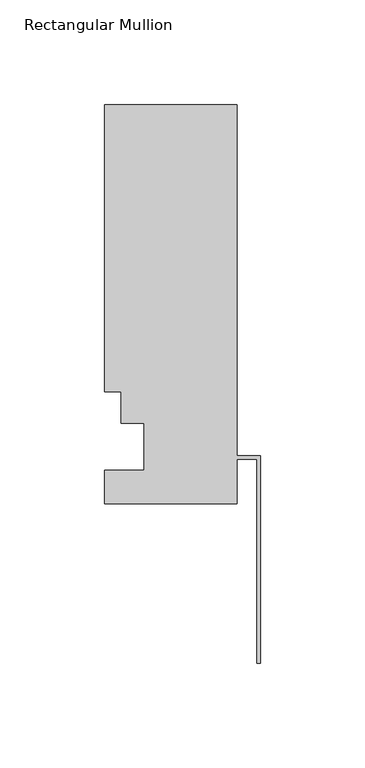
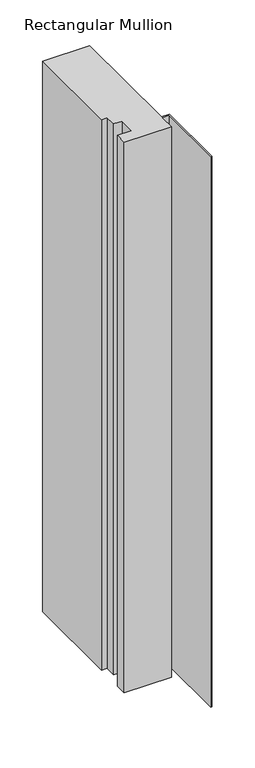
"""IFC4 building model written with IfcOpenShell, lengths in millimetres: member geometry, Rectangular Mullion."""

from ifc_helpers import new_model, si_unit, frame, origin, place, context, project, spatial, polyline, outline, extrude, source, transform, mapped, element, save


def rectangular_mullion_8fdfb0bb(model_context):
    return source(origin(), model_context, "Body", "SweptSolid", [
        extrude(outline(polyline([(-11.113262, 152.4992187), (-11.113262, -15.4201813), (0.0, -15.4201813), (0.0, -114.4859488), (-1.5748, -114.4859488), (-1.5748, -16.9949813), (-11.113262, -16.9949813), (-11.113262, -38.2547813), (-74.613262, -38.2547813), (-74.613262, -22.3797813), (-55.563262, -22.3797813), (-55.563262, 0.0992187), (-66.688462, 0.0992187), (-66.688462, 15.1614187), (-74.613262, 15.1614187), (-74.613262, 152.4992187), (-11.113262, 152.4992187)])), frame((0.0, 0.0, -785.1272189), z_axis=(0.0, 0.0, 1.0), x_axis=(1.0, 0.0, 0.0)), (0.0, 0.0, 1.0), 785.1272189),
    ])


if __name__ == "__main__":
    model = new_model("IFC4")
    model_context = context("Model", 3, world=origin())
    ifc_project = project(units=[si_unit("LENGTHUNIT", "METRE", prefix="MILLI")], contexts=[model_context])
    site = spatial("IfcSite", under=ifc_project)
    building = spatial("IfcBuilding", under=site)
    placement = place(None, origin())
    rectangular_mullion_shape = rectangular_mullion_8fdfb0bb(model_context)
    element("IfcMember", 1, ObjectType="Rectangular Mullion", at=placement, inside=building, context=model_context, shape_type="MappedRepresentation", body=[
        mapped(rectangular_mullion_shape, transform((0.0, 0.0, 0.0), x_axis=(1.0, 0.0, 0.0), y_axis=(0.0, 1.0, 0.0), z_axis=(0.0, 0.0, 1.0))),
    ])
    save(model, "model.ifc")
